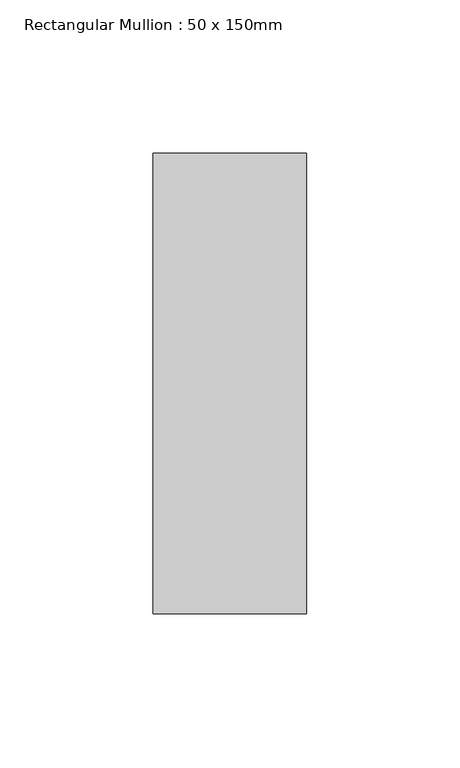
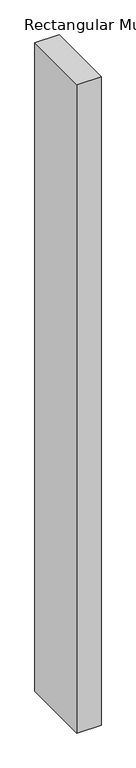
"""IFC4 building model written with IfcOpenShell, lengths in millimetres: member geometry, Rectangular Mullion : 50 x 150mm."""

import ifcopenshell
import ifcopenshell.guid

model = None  # the IFC model being written
_history = None  # IfcOwnerHistory: only IFC2X3 demands one
_inside = {}  # id of a spatial element -> (the spatial element, [elements in it])
_under = {}  # id of a project, library or spatial element -> (it, [spatial elements below it])
_declared = {}  # id of a project -> (the project, [libraries it declares])
_typed = {}  # id of a type object -> (the type object, [elements of that type])
_made_of = {}  # id of a material, layer set ... -> (it, [elements and type objects made of it])


def new_model(schema):
    """Start an empty IFC model of exactly this schema.

    Asked for "IFC4X3", IfcOpenShell would pick the latest addendum, in which some entities
    have other attributes; the version numbers below select the first issue.
    IFC2X3 requires an IfcOwnerHistory on every rooted entity: one is made here for all.
    """
    global model, _history
    if schema == "IFC4X3":
        model = ifcopenshell.file(schema_version=(4, 3, 0, 0))
    else:
        model = ifcopenshell.file(schema=schema)
    _inside.clear()
    _under.clear()
    _declared.clear()
    _typed.clear()
    _made_of.clear()
    _history = None
    if model.schema == "IFC2X3":
        org = make("IfcOrganization", Name="unknown")
        user = make(
            "IfcPersonAndOrganization",
            ThePerson=make("IfcPerson", FamilyName="unknown"),
            TheOrganization=org,
        )
        app = make(
            "IfcApplication",
            ApplicationDeveloper=org,
            Version="unknown",
            ApplicationFullName="unknown",
            ApplicationIdentifier="unknown",
        )
        _history = make(
            "IfcOwnerHistory",
            OwningUser=user,
            OwningApplication=app,
            ChangeAction="ADDED",
            CreationDate=0,
        )
    return model


def make(cls, **values):
    """One entity of the class cls with the attributes given. An attribute that is None is left unset."""
    return model.create_entity(
        cls, **{name: value for name, value in values.items() if value is not None}
    )


def rooted(cls, **values):
    """An entity with a GlobalId (a new one), such as an element, a storey or a relation."""
    return make(cls, GlobalId=ifcopenshell.guid.new(), OwnerHistory=_history, **values)


def si_unit(unit_type, name, prefix=None):
    """IfcSIUnit, for example si_unit("LENGTHUNIT", "METRE", prefix="MILLI")."""
    return make("IfcSIUnit", UnitType=unit_type, Prefix=prefix, Name=name)


def assignment(units):
    """IfcUnitAssignment: the units of a project."""
    return None if units is None else make("IfcUnitAssignment", Units=units)


def point(xyz):
    """IfcCartesianPoint."""
    return None if xyz is None else make("IfcCartesianPoint", Coordinates=xyz)


def direction(xyz):
    """IfcDirection."""
    return None if xyz is None else make("IfcDirection", DirectionRatios=xyz)


def frame(location, z_axis=None, x_axis=None):
    """IfcAxis2Placement3D, a coordinate frame: its origin and axes. An axis left out is left unset."""
    return make(
        "IfcAxis2Placement3D",
        Location=point(location),
        Axis=direction(z_axis),
        RefDirection=direction(x_axis),
    )


def origin():
    """The frame at (0, 0, 0) with its axes left unset."""
    return frame((0.0, 0.0, 0.0))


def place(relative_to, where):
    """IfcLocalPlacement: puts the frame where relative to a parent placement (None: the world)."""
    return make(
        "IfcLocalPlacement", PlacementRelTo=relative_to, RelativePlacement=where
    )


def context(
    kind, dimensions, precision=None, world=None, true_north=None, identifier=None
):
    """IfcGeometricRepresentationContext, for example the 3D "Model" context."""
    return make(
        "IfcGeometricRepresentationContext",
        ContextIdentifier=identifier,
        ContextType=kind,
        CoordinateSpaceDimension=dimensions,
        Precision=precision,
        WorldCoordinateSystem=world,
        TrueNorth=true_north,
    )


def project(units=None, contexts=None):
    """IfcProject with its units and contexts."""
    return rooted(
        "IfcProject",
        Name="project",
        RepresentationContexts=contexts,
        UnitsInContext=assignment(units),
    )


def spatial(cls, under=None, at=None, **own):
    """A site, building, storey or space (cls), placed at a placement, below another one or the project."""
    s = rooted(cls, ObjectPlacement=at, **own)
    if under is not None:
        _under.setdefault(under.id(), (under, []))[1].append(s)
    return s


def polyline(points):
    """IfcPolyline through the points."""
    return make("IfcPolyline", Points=[point(p) for p in points])


def outline(outer, holes=None, kind="AREA"):
    """IfcArbitraryClosedProfileDef: a profile drawn as a closed curve; with holes, ...WithVoids."""
    if holes is None:
        return make("IfcArbitraryClosedProfileDef", ProfileType=kind, OuterCurve=outer)
    return make(
        "IfcArbitraryProfileDefWithVoids",
        ProfileType=kind,
        OuterCurve=outer,
        InnerCurves=holes,
    )


def extrude(swept, where, along, depth):
    """IfcExtrudedAreaSolid: the profile swept, set in the frame where, extruded along a direction by depth."""
    return make(
        "IfcExtrudedAreaSolid",
        SweptArea=swept,
        Position=where,
        ExtrudedDirection=direction(along),
        Depth=depth,
    )


def shape(context_of_items, identifier, shape_type, items):
    """IfcShapeRepresentation: the items that make up one representation, for example the "Body"."""
    return make(
        "IfcShapeRepresentation",
        ContextOfItems=context_of_items,
        RepresentationIdentifier=identifier,
        RepresentationType=shape_type,
        Items=items,
    )


def source(mapping_origin, context_of_items, identifier, shape_type, items):
    """IfcRepresentationMap: a shape defined once, which mapped items show again and again."""
    return make(
        "IfcRepresentationMap",
        MappingOrigin=mapping_origin,
        MappedRepresentation=shape(context_of_items, identifier, shape_type, items),
    )


def transform(
    local_origin,
    x_axis=None,
    y_axis=None,
    z_axis=None,
    scale=None,
    scale2=None,
    scale3=None,
    uniform=True,
):
    """IfcCartesianTransformationOperator3D, or its non-uniform kind. x_axis, y_axis, z_axis: its Axis1, 2, 3."""
    if uniform:
        return make(
            "IfcCartesianTransformationOperator3D",
            Axis1=direction(x_axis),
            Axis2=direction(y_axis),
            LocalOrigin=point(local_origin),
            Scale=scale,
            Axis3=direction(z_axis),
        )
    return make(
        "IfcCartesianTransformationOperator3DnonUniform",
        Axis1=direction(x_axis),
        Axis2=direction(y_axis),
        LocalOrigin=point(local_origin),
        Scale=scale,
        Axis3=direction(z_axis),
        Scale2=scale2,
        Scale3=scale3,
    )


def mapped(mapping_source, mapping_target):
    """IfcMappedItem: shows the shape of a source again, moved by a transform."""
    return make(
        "IfcMappedItem", MappingSource=mapping_source, MappingTarget=mapping_target
    )


def made_of(thing, what):
    """Note that an element or type object is made of a material, layer set ...; save() writes the relation."""
    if what is not None:
        _made_of.setdefault(what.id(), (what, []))[1].append(thing)
    return thing


def element(
    cls,
    number,
    at=None,
    inside=None,
    cuts=None,
    type_object=None,
    material=None,
    context=None,
    identifier="Body",
    shape_type=None,
    held_by="IfcProductDefinitionShape",
    body=None,
    shapes=None,
    **own,
):
    """One element of the class cls, such as IfcWall. Its Tag is "e" and its number.

    at: its placement. inside: the storey or other place that contains it. cuts: it is an
    opening in that element (IfcRelVoidsElement). A single representation is given by context,
    identifier, shape_type and body (its items); several are given by shapes. held_by: the class
    of the entity that holds the representations. save() writes the other relations.
    """
    e = rooted(cls, Tag="e%d" % number, ObjectPlacement=at, **own)
    if body is not None:
        shapes = [shape(context, identifier, shape_type, body)]
    if shapes is not None:
        e.Representation = make(held_by, Representations=shapes)
    if inside is not None:
        _inside.setdefault(inside.id(), (inside, []))[1].append(e)
    if cuts is not None:
        rooted(
            "IfcRelVoidsElement", RelatingBuildingElement=cuts, RelatedOpeningElement=e
        )
    if type_object is not None:
        _typed.setdefault(type_object.id(), (type_object, []))[1].append(e)
    return made_of(e, material)


def aggregate(whole, parts):
    """IfcRelAggregates: a whole, such as a stair, and the parts it consists of."""
    return rooted("IfcRelAggregates", RelatingObject=whole, RelatedObjects=parts)


def save(model, path):
    """Write the relations noted so far, then the file.

    IfcRelAggregates (storeys below a building ...), IfcRelContainedInSpatialStructure (elements
    in a storey), IfcRelDefinesByType, IfcRelAssociatesMaterial and IfcRelDeclares: one each for
    every whole, place, type object, material and project.
    """
    for whole, parts in _under.values():
        aggregate(whole, parts)
    for where, things in _inside.values():
        rooted(
            "IfcRelContainedInSpatialStructure",
            RelatedElements=things,
            RelatingStructure=where,
        )
    for kind, things in _typed.values():
        rooted("IfcRelDefinesByType", RelatedObjects=things, RelatingType=kind)
    for what, things in _made_of.values():
        rooted("IfcRelAssociatesMaterial", RelatedObjects=things, RelatingMaterial=what)
    for by, libraries in _declared.values():
        rooted("IfcRelDeclares", RelatingContext=by, RelatedDefinitions=libraries)
    model.write(path)


def rectangular_mullion_50_x_150mm_727d5060(model_context):
    return source(origin(), model_context, "Body", "SweptSolid", [
        extrude(outline(polyline([(25.0, 75.0), (25.0, -75.0), (-25.0, -75.0), (-25.0, 75.0), (25.0, 75.0)])), frame((0.0, 0.0, -1417.1052632), z_axis=(0.0, 0.0, 1.0), x_axis=(1.0, 0.0, 0.0)), (0.0, 0.0, 1.0), 1417.1052632),
    ])


if __name__ == "__main__":
    model = new_model("IFC4")
    model_context = context("Model", 3, world=origin())
    ifc_project = project(units=[si_unit("LENGTHUNIT", "METRE", prefix="MILLI")], contexts=[model_context])
    site = spatial("IfcSite", under=ifc_project)
    building = spatial("IfcBuilding", under=site)
    placement = place(None, origin())
    rectangular_mullion_50_x_150mm_shape = rectangular_mullion_50_x_150mm_727d5060(model_context)
    element("IfcMember", 1, ObjectType="Rectangular Mullion : 50 x 150mm", at=placement, inside=building, context=model_context, shape_type="MappedRepresentation", body=[
        mapped(rectangular_mullion_50_x_150mm_shape, transform((0.0, 0.0, 0.0), x_axis=(1.0, 0.0, 0.0), y_axis=(0.0, 1.0, 0.0), z_axis=(0.0, 0.0, 1.0))),
    ])
    save(model, "model.ifc")
